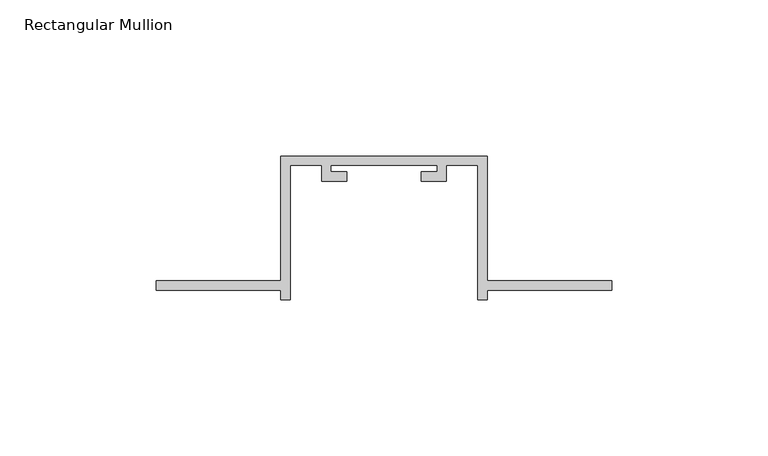
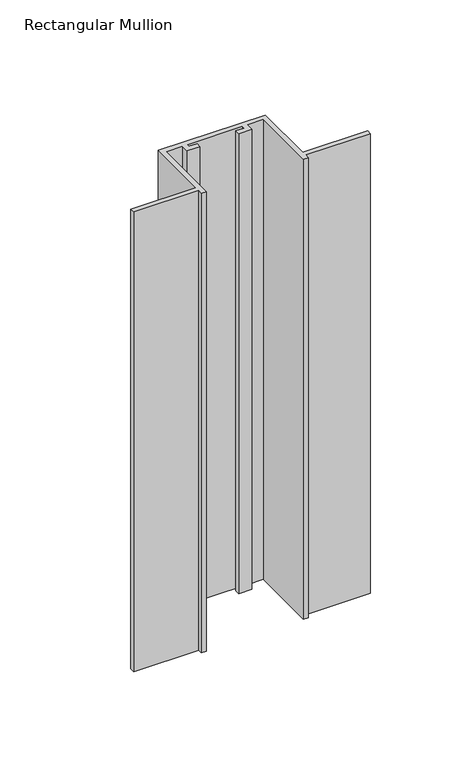
"""IFC4 building model written with IfcOpenShell, lengths in millimetres: member geometry, Rectangular Mullion."""

from ifc_helpers import new_model, si_unit, frame, origin, place, context, project, spatial, polyline, outline, extrude, source, transform, mapped, element, save


def rectangular_mullion_ca0a8db8(model_context):
    return source(origin(), model_context, "Body", "SweptSolid", [
        extrude(outline(polyline([(-33.0, -132.0), (-73.0, -132.0), (-73.0, -129.0), (-33.0, -129.0), (-33.0, -89.0), (33.0, -89.0), (33.0, -129.0), (73.0, -129.0), (73.0, -132.0), (33.0, -132.0), (33.0, -135.0), (30.0, -135.0), (30.0, -92.0), (20.0, -92.0), (20.0, -97.0), (12.0, -97.0), (12.0, -94.0), (17.0, -94.0), (17.0, -92.0), (-17.0, -92.0), (-17.0, -94.0), (-12.0, -94.0), (-12.0, -97.0), (-20.0, -97.0), (-20.0, -92.0), (-30.0, -92.0), (-30.0, -135.0), (-33.0, -135.0), (-33.0, -132.0)])), frame((0.0, 0.0, -300.0), z_axis=(0.0, 0.0, 1.0), x_axis=(1.0, 0.0, 0.0)), (0.0, 0.0, 1.0), 300.0),
    ])


if __name__ == "__main__":
    model = new_model("IFC4")
    model_context = context("Model", 3, world=origin())
    ifc_project = project(units=[si_unit("LENGTHUNIT", "METRE", prefix="MILLI")], contexts=[model_context])
    site = spatial("IfcSite", under=ifc_project)
    building = spatial("IfcBuilding", under=site)
    placement = place(None, origin())
    rectangular_mullion_shape = rectangular_mullion_ca0a8db8(model_context)
    element("IfcMember", 1, ObjectType="Rectangular Mullion", at=placement, inside=building, context=model_context, shape_type="MappedRepresentation", body=[
        mapped(rectangular_mullion_shape, transform((0.0, 0.0, 0.0), x_axis=(1.0, 0.0, 0.0), y_axis=(0.0, 1.0, 0.0), z_axis=(0.0, 0.0, 1.0))),
    ])
    save(model, "model.ifc")
